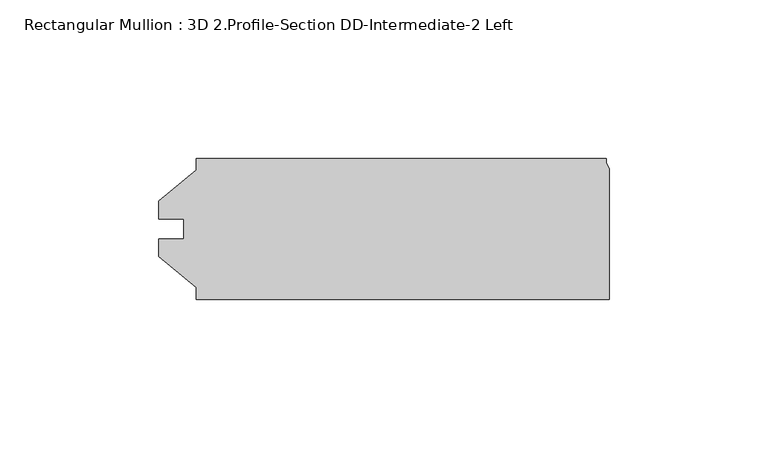
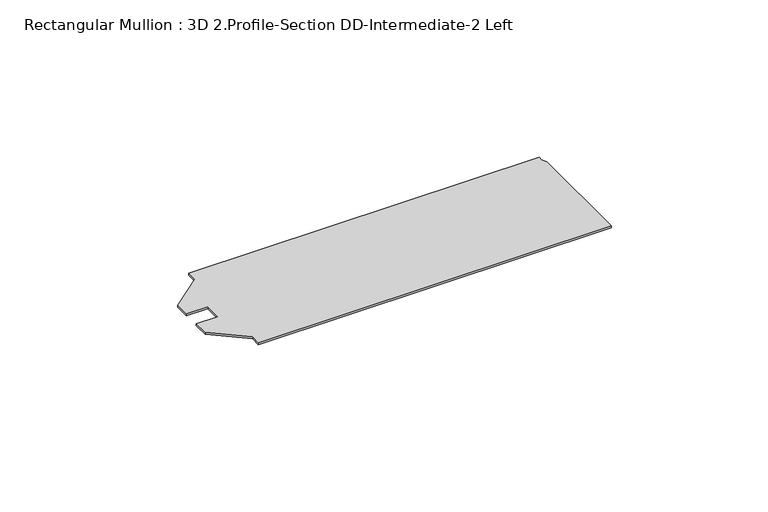
"""IFC4 building model written with IfcOpenShell, lengths in millimetres: member geometry, Rectangular Mullion : 3D 2.Profile-Section DD-Intermediate-2 Left."""

from ifc_helpers import new_model, si_unit, frame, origin, place, context, project, spatial, polyline, outline, extrude, source, transform, mapped, element, save


def rectangular_mullion_3d_2_profile_section_dd_intermediate_2_6664fd43(model_context):
    return source(origin(), model_context, "Body", "SweptSolid", [
        extrude(outline(polyline([(-134.7304426, 22.225), (-5.5714426, 22.225), (-5.5714426, 20.7843636), (-4.5554426, 19.0246), (-4.5554426, -22.225), (-134.7304426, -22.225), (-134.7304426, -18.518836), (-146.6366926, -8.7503), (-146.6366926, -3.175), (-138.6928426, -3.175), (-138.6928426, 3.175), (-146.6366926, 3.175), (-146.6366926, 8.7503), (-134.7304426, 18.518836), (-134.7304426, 22.225)])), frame((0.0, 0.0, -0.79375), z_axis=(0.0, 0.0, 1.0), x_axis=(1.0, 0.0, 0.0)), (0.0, 0.0, 1.0), 0.79375),
    ])


if __name__ == "__main__":
    model = new_model("IFC4")
    model_context = context("Model", 3, world=origin())
    ifc_project = project(units=[si_unit("LENGTHUNIT", "METRE", prefix="MILLI")], contexts=[model_context])
    site = spatial("IfcSite", under=ifc_project)
    building = spatial("IfcBuilding", under=site)
    placement = place(None, origin())
    rectangular_mullion_3d_2_profile_section_dd_intermediate_2_shape = rectangular_mullion_3d_2_profile_section_dd_intermediate_2_6664fd43(model_context)
    element("IfcMember", 1, ObjectType="Rectangular Mullion : 3D 2.Profile-Section DD-Intermediate-2 Left", at=placement, inside=building, context=model_context, shape_type="MappedRepresentation", body=[
        mapped(rectangular_mullion_3d_2_profile_section_dd_intermediate_2_shape, transform((0.0, 0.0, 0.0), x_axis=(1.0, 0.0, 0.0), y_axis=(0.0, 1.0, 0.0), z_axis=(0.0, 0.0, 1.0))),
    ])
    save(model, "model.ifc")
